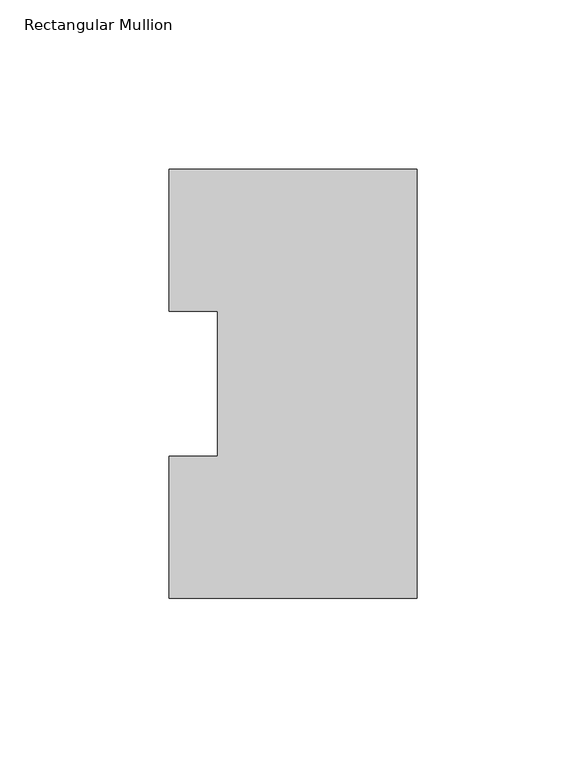
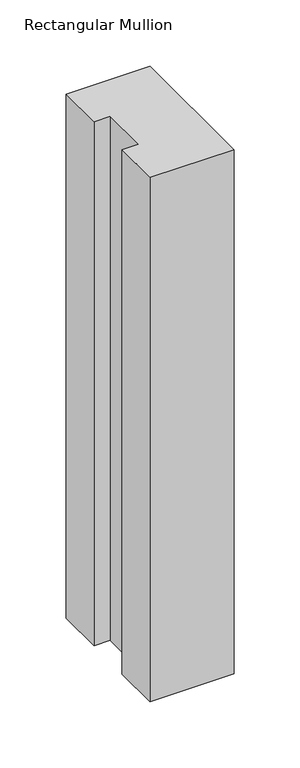
"""IFC4 building model written with IfcOpenShell, lengths in millimetres: member geometry, Rectangular Mullion."""

from ifc_helpers import new_model, si_unit, frame, origin, place, context, project, spatial, polyline, outline, extrude, source, transform, mapped, element, save


def rectangular_mullion_3e10cb4a(model_context):
    return source(origin(), model_context, "Body", "SweptSolid", [
        extrude(outline(polyline([(0.0, 126.75235), (0.0, 0.26035), (-73.025, 0.26035), (-73.025, 42.0814491), (-58.7375, 42.0814491), (-58.7375, 84.93125), (-73.025, 84.93125), (-73.025, 126.75235), (0.0, 126.75235)])), frame((0.0, 0.0, -482.6), z_axis=(0.0, 0.0, 1.0), x_axis=(1.0, 0.0, 0.0)), (0.0, 0.0, 1.0), 482.6),
    ])


if __name__ == "__main__":
    model = new_model("IFC4")
    model_context = context("Model", 3, world=origin())
    ifc_project = project(units=[si_unit("LENGTHUNIT", "METRE", prefix="MILLI")], contexts=[model_context])
    site = spatial("IfcSite", under=ifc_project)
    building = spatial("IfcBuilding", under=site)
    placement = place(None, origin())
    rectangular_mullion_shape = rectangular_mullion_3e10cb4a(model_context)
    element("IfcMember", 1, ObjectType="Rectangular Mullion", at=placement, inside=building, context=model_context, shape_type="MappedRepresentation", body=[
        mapped(rectangular_mullion_shape, transform((0.0, 0.0, 0.0), x_axis=(1.0, 0.0, 0.0), y_axis=(0.0, 1.0, 0.0), z_axis=(0.0, 0.0, 1.0))),
    ])
    save(model, "model.ifc")
